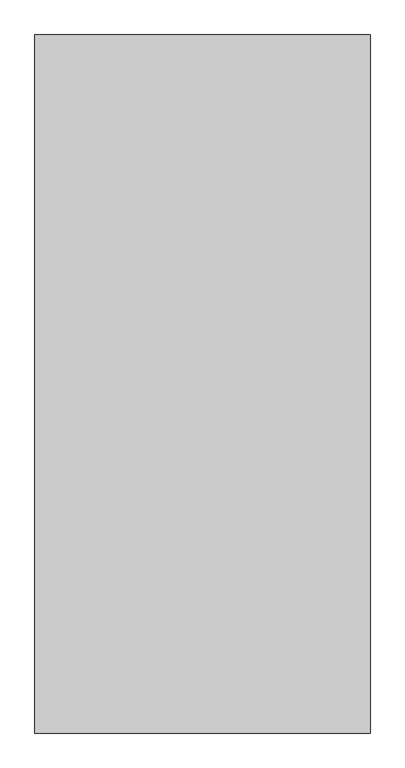
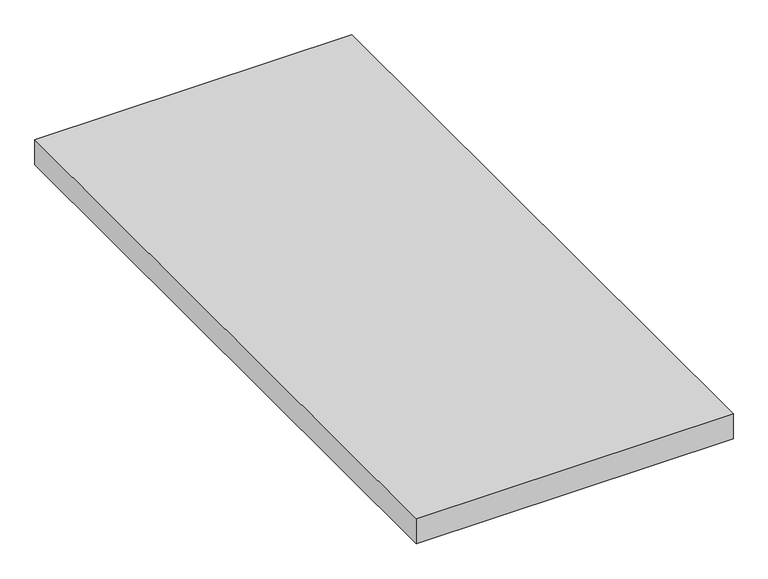
"""IFC4 building model written with IfcOpenShell, lengths in millimetres: proxy geometry."""

from ifc_helpers import new_model, si_unit, origin, origin_with_axes, place, context, project, spatial, polyline, outline, extrude, source, transform, mapped, element, save


def generic_models_ed0c7896(model_context):
    return source(origin(), model_context, "Body", "SweptSolid", [
        extrude(outline(polyline([(-6184.8983566, 1747.1625159), (-6184.8983566, 497.1625159), (-6784.8983566, 497.1625159), (-6784.8983566, 1747.1625159), (-6184.8983566, 1747.1625159)])), origin_with_axes(), (0.0, 0.0, 1.0), 50.0),
    ])


if __name__ == "__main__":
    model = new_model("IFC4")
    model_context = context("Model", 3, world=origin())
    ifc_project = project(units=[si_unit("LENGTHUNIT", "METRE", prefix="MILLI")], contexts=[model_context])
    site = spatial("IfcSite", under=ifc_project)
    building = spatial("IfcBuilding", under=site)
    placement = place(None, origin())
    generic_models_shape = generic_models_ed0c7896(model_context)
    element("IfcBuildingElementProxy", 1, Name="Generic Models", at=placement, inside=building, context=model_context, shape_type="MappedRepresentation", body=[
        mapped(generic_models_shape, transform((0.0, 0.0, 0.0), x_axis=(1.0, 0.0, 0.0), y_axis=(0.0, 1.0, 0.0), z_axis=(0.0, 0.0, 1.0))),
    ])
    save(model, "model.ifc")
